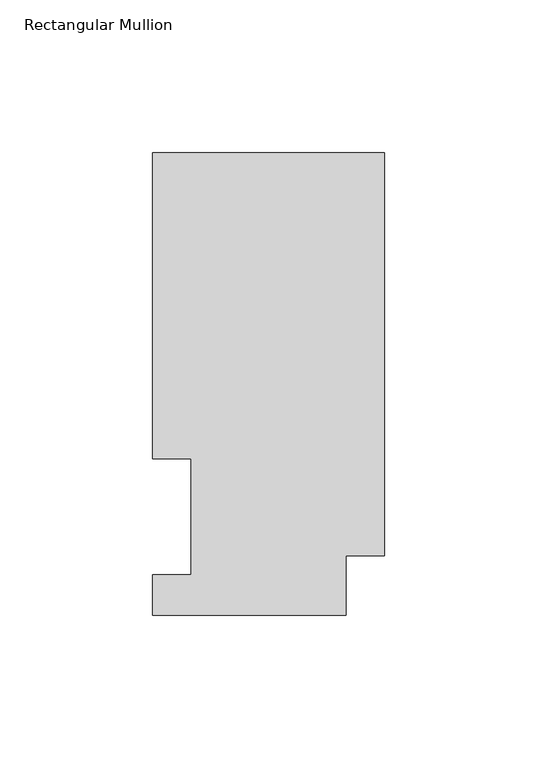
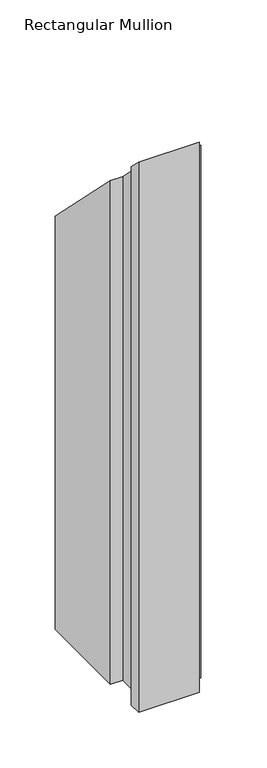
"""IFC4 building model written with IfcOpenShell, lengths in millimetres: member geometry, Rectangular Mullion."""

from ifc_helpers import new_model, si_unit, origin, place, context, project, spatial, faceted_brep, source, transform, mapped, element, save


def rectangular_mullion_95a87107(model_context):
    return source(origin(), model_context, "Body", "Brep", [
        faceted_brep([(-76.2, 51.2960938, -609.56825), (-76.2, 151.7022937, -609.56825), (0.0, 151.7022937, -609.56825), (0.0, 19.5455957, -609.56825), (-12.7, 19.5455957, -609.56825), (-12.7, 0.0134937, -609.56825), (-76.2, 0.0134937, -609.56825), (-76.2, 13.1960937, -609.56825), (-63.5, 13.1960937, -609.56825), (-63.5, 51.2960938, -609.56825), (-63.5, 51.2960938, -51.2960937), (-76.2, 51.2960938, -51.2960937), (-63.5, 13.1960937, -13.1960937), (-76.2, 13.1960937, -13.1960937), (-76.2, 0.0134937, -0.0134937), (-12.7, 0.0134937, -0.0134937), (-12.7, 19.5455957, -19.5455957), (0.0, 19.5455957, -19.5455957), (0.0, 151.7022937, -151.7022937), (-76.2, 151.7022937, -151.7022937)], [[[0, 1, 2, 3, 4, 5, 6, 7, 8, 9]], [[10, 11, 0, 9]], [[12, 10, 9, 8]], [[13, 12, 8, 7]], [[14, 13, 7, 6]], [[15, 14, 6, 5]], [[16, 15, 5, 4]], [[17, 16, 4, 3]], [[18, 17, 3, 2]], [[19, 18, 2, 1]], [[11, 19, 1, 0]], [[11, 10, 12, 13, 14, 15, 16, 17, 18, 19]]]),
    ])


if __name__ == "__main__":
    model = new_model("IFC4")
    model_context = context("Model", 3, world=origin())
    ifc_project = project(units=[si_unit("LENGTHUNIT", "METRE", prefix="MILLI")], contexts=[model_context])
    site = spatial("IfcSite", under=ifc_project)
    building = spatial("IfcBuilding", under=site)
    placement = place(None, origin())
    rectangular_mullion_shape = rectangular_mullion_95a87107(model_context)
    element("IfcMember", 1, ObjectType="Rectangular Mullion", at=placement, inside=building, context=model_context, shape_type="MappedRepresentation", body=[
        mapped(rectangular_mullion_shape, transform((0.0, 0.0, 0.0), x_axis=(1.0, 0.0, 0.0), y_axis=(0.0, 1.0, 0.0), z_axis=(0.0, 0.0, 1.0))),
    ])
    save(model, "model.ifc")
